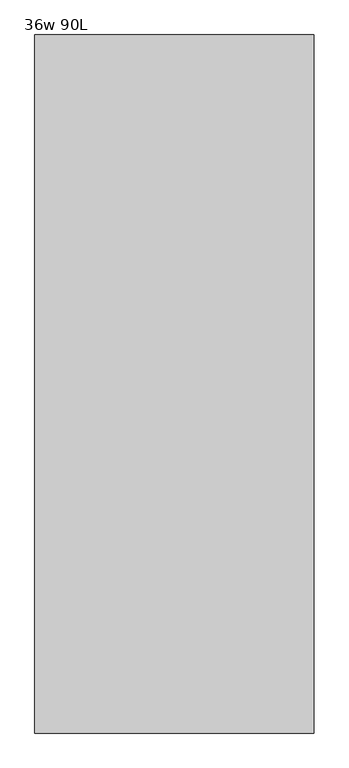
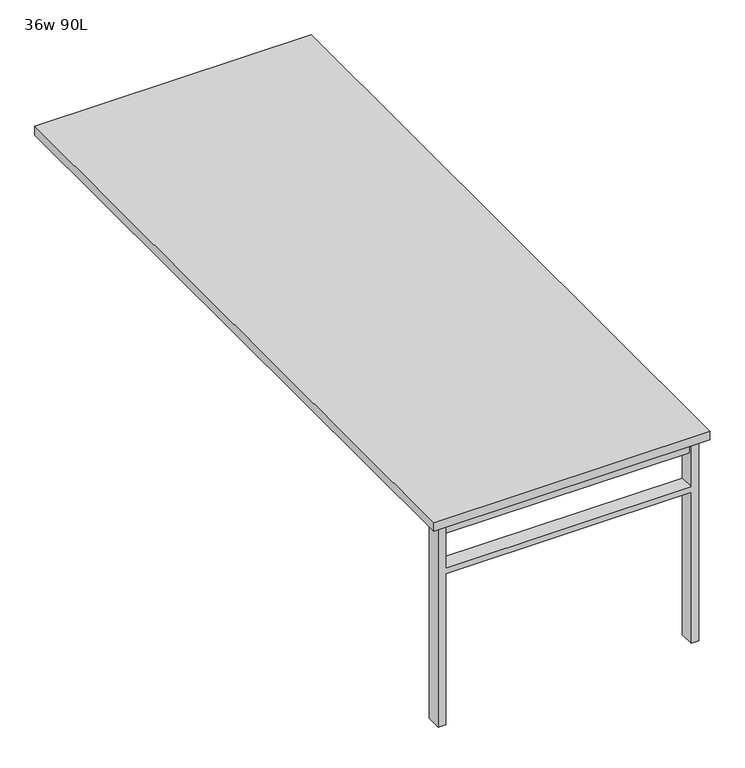
"""IFC4 building model written with IfcOpenShell, lengths in millimetres: furniture geometry, 36w 90L."""

from ifc_helpers import new_model, si_unit, frame, origin, place, context, project, spatial, polyline, outline, extrude, source, transform, mapped, element, save


def furniture_36w_90l_de279f04(model_context):
    return source(origin(), model_context, "Body", "SweptSolid", [
        extrude(outline(polyline([(-406.4, -1082.675), (406.4, -1082.675), (406.4, -1114.425), (-406.4, -1114.425), (-406.4, -1082.675)])), frame((0.0, 0.0, 661.9875), z_axis=(0.0, 0.0, 1.0), x_axis=(1.0, 0.0, 0.0)), (0.0, 0.0, 1.0), 44.45),
        extrude(outline(polyline([(528.6375, 406.4), (0.0, 406.4), (0.0, 431.8), (706.4375, 431.8), (706.4375, 406.4), (547.6875, 406.4), (547.6875, -406.4), (706.4375, -406.4), (706.4375, -431.8), (0.0, -431.8), (0.0, -406.4), (528.6375, -406.4), (528.6375, 406.4)])), frame((0.0, -1123.95, 0.0), z_axis=(0.0, 1.0, 0.0), x_axis=(0.0, 0.0, 1.0)), (0.0, 0.0, 1.0), 50.8),
        extrude(outline(polyline([(-457.2, -1143.0), (-457.2, 1143.0), (457.2, 1143.0), (457.2, -1143.0), (-457.2, -1143.0)])), frame((0.0, 0.0, 706.4375), z_axis=(0.0, 0.0, 1.0), x_axis=(1.0, 0.0, 0.0)), (0.0, 0.0, 1.0), 30.1625),
    ])


if __name__ == "__main__":
    model = new_model("IFC4")
    model_context = context("Model", 3, world=origin())
    ifc_project = project(units=[si_unit("LENGTHUNIT", "METRE", prefix="MILLI")], contexts=[model_context])
    site = spatial("IfcSite", under=ifc_project)
    building = spatial("IfcBuilding", under=site)
    placement = place(None, origin())
    furniture_36w_90l_shape = furniture_36w_90l_de279f04(model_context)
    element("IfcFurniture", 1, ObjectType="36w 90L", at=placement, inside=building, context=model_context, shape_type="MappedRepresentation", body=[
        mapped(furniture_36w_90l_shape, transform((0.0, 0.0, 0.0), x_axis=(1.0, 0.0, 0.0), y_axis=(0.0, 1.0, 0.0), z_axis=(0.0, 0.0, 1.0))),
    ])
    save(model, "model.ifc")
